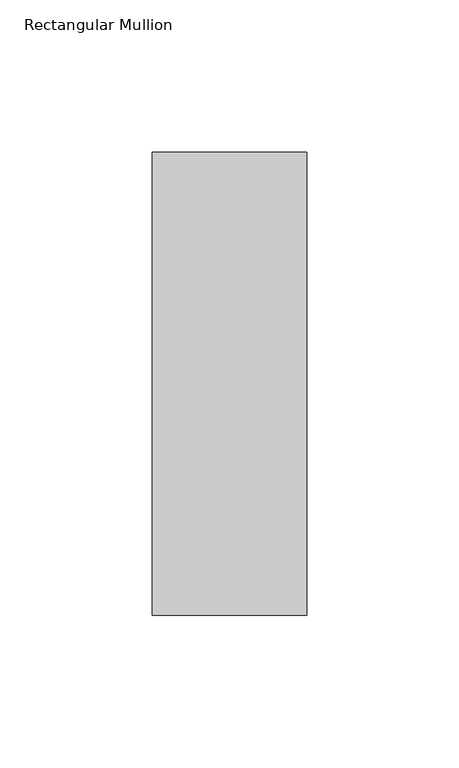
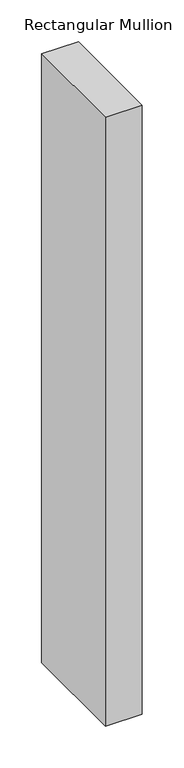
"""IFC4 building model written with IfcOpenShell, lengths in millimetres: member geometry, Rectangular Mullion."""

from ifc_helpers import new_model, si_unit, frame, origin, place, context, project, spatial, polyline, outline, extrude, source, transform, mapped, element, save


def rectangular_mullion_8ccd2b0b(model_context):
    return source(origin(), model_context, "Body", "SweptSolid", [
        extrude(outline(polyline([(-50.7961295, -26.19375), (-50.7961295, 126.20625), (0.0, 126.20625), (0.0, -26.19375), (-50.7961295, -26.19375)])), frame((0.0, 0.0, -889.0), z_axis=(0.0, 0.0, 1.0), x_axis=(1.0, 0.0, 0.0)), (0.0, 0.0, 1.0), 889.0),
    ])


if __name__ == "__main__":
    model = new_model("IFC4")
    model_context = context("Model", 3, world=origin())
    ifc_project = project(units=[si_unit("LENGTHUNIT", "METRE", prefix="MILLI")], contexts=[model_context])
    site = spatial("IfcSite", under=ifc_project)
    building = spatial("IfcBuilding", under=site)
    placement = place(None, origin())
    rectangular_mullion_shape = rectangular_mullion_8ccd2b0b(model_context)
    element("IfcMember", 1, ObjectType="Rectangular Mullion", at=placement, inside=building, context=model_context, shape_type="MappedRepresentation", body=[
        mapped(rectangular_mullion_shape, transform((0.0, 0.0, 0.0), x_axis=(1.0, 0.0, 0.0), y_axis=(0.0, 1.0, 0.0), z_axis=(0.0, 0.0, 1.0))),
    ])
    save(model, "model.ifc")
